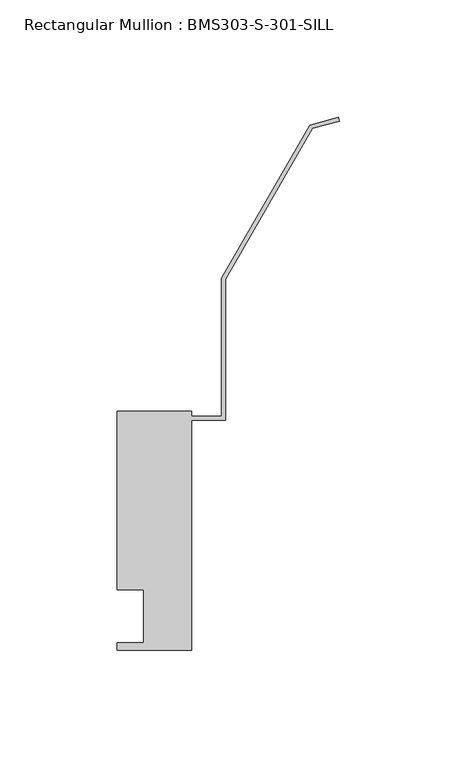
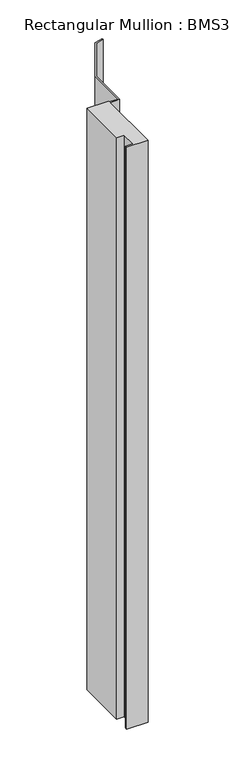
"""IFC4 building model written with IfcOpenShell, lengths in millimetres: member geometry, Rectangular Mullion : BMS303-S-301-SILL."""

from ifc_helpers import new_model, si_unit, frame, origin, place, context, project, spatial, polyline, outline, extrude, source, transform, mapped, element, save


def rectangular_mullion_bms303_s_301_sill_fab702f6(model_context):
    return source(origin(), model_context, "Body", "SweptSolid", [
        extrude(outline(polyline([(-63.0045914, 138.509375), (-63.0045914, 136.223375), (-50.3045914, 136.223375), (-50.3045914, 195.0742181), (-12.6781332, 260.2451553), (-0.4108752, 263.5321572), (0.0, 261.9987499), (-11.6320999, 258.8819381), (-48.7297914, 194.6268517), (-48.7297914, 134.635875), (-63.0045914, 134.635875), (-63.0045914, 36.655375), (-94.7545914, 36.655375), (-94.7545914, 39.830375), (-83.6420914, 39.830375), (-83.6420914, 62.309375), (-94.7545914, 62.309375), (-94.7545914, 138.509375), (-63.0045914, 138.509375)])), frame((0.0, 0.0, -914.4), z_axis=(0.0, 0.0, 1.0), x_axis=(1.0, 0.0, 0.0)), (0.0, 0.0, 1.0), 914.4),
    ])


if __name__ == "__main__":
    model = new_model("IFC4")
    model_context = context("Model", 3, world=origin())
    ifc_project = project(units=[si_unit("LENGTHUNIT", "METRE", prefix="MILLI")], contexts=[model_context])
    site = spatial("IfcSite", under=ifc_project)
    building = spatial("IfcBuilding", under=site)
    placement = place(None, origin())
    rectangular_mullion_bms303_s_301_sill_shape = rectangular_mullion_bms303_s_301_sill_fab702f6(model_context)
    element("IfcMember", 1, ObjectType="Rectangular Mullion : BMS303-S-301-SILL", at=placement, inside=building, context=model_context, shape_type="MappedRepresentation", body=[
        mapped(rectangular_mullion_bms303_s_301_sill_shape, transform((0.0, 0.0, 0.0), x_axis=(1.0, 0.0, 0.0), y_axis=(0.0, 1.0, 0.0), z_axis=(0.0, 0.0, 1.0))),
    ])
    save(model, "model.ifc")
